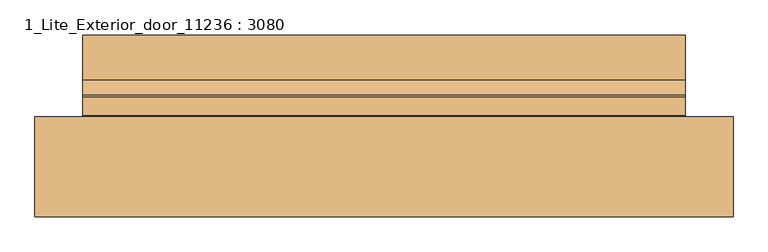
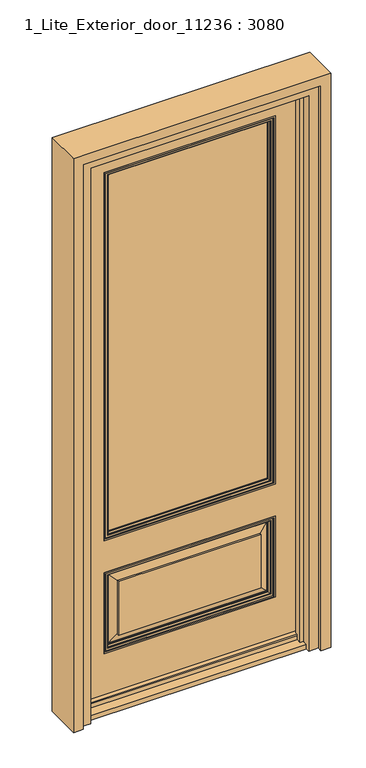
"""IFC4 building model written with IfcOpenShell, lengths in millimetres: door geometry, 1_Lite_Exterior_door_11236 : 3080."""

from ifc_helpers import new_model, si_unit, point, frame, frame_2d, origin, place, context, project, spatial, polyline, circle_curve, ellipse_curve, trimmed, segment, composite_curve, outline, extrude, faceted_brep, source, transform, mapped, element, save
from ifc_brep_helpers import plane_surface, cylinder_surface, advanced_brep


def door_1_lite_exterior_door_11236_3080_7c251f9d(model_context):
    return source(origin(), model_context, "Body", "SolidModel", [
        advanced_brep(
        [(355.6, 12.7, 723.9), (355.6, 76.2, 723.9), (355.6, 76.2, 2336.8), (355.6, 12.7, 2336.8), (349.25, 17.74112, 730.25), (349.25, 12.7, 730.25), (349.25, 12.7, 2330.45), (349.25, 17.74112, 2330.45), (346.9560106, 15.4471305, 732.5439894), (346.9560106, 15.4471305, 2328.1560106), (338.7694125, 18.2331323, 740.7305875), (338.7694125, 15.4471305, 740.7305875), (338.7694125, 15.4471305, 2319.9694125), (338.7694125, 18.2331323, 2319.9694125), (335.932591, 18.9956227, 743.567409), (337.7298548, 18.2331323, 741.7701452), (337.7298548, 18.2331323, 2318.9298548), (335.932591, 18.9956227, 2317.132591), (332.9205864, 25.9688031, 746.5794136), (332.9205864, 25.9688031, 2314.1205864), (331.1191455, 30.1625, 748.3808545), (331.1191455, 25.9688031, 748.3808545), (331.1191455, 25.9688031, 2312.3191455), (331.1191455, 30.1625, 2312.3191455), (349.25, 58.7375, 730.25), (349.25, 30.1625, 730.25), (349.25, 30.1625, 2330.45), (349.25, 58.7375, 2330.45), (331.3790349, 63.1711196, 748.1209651), (331.3790349, 58.7375, 748.1209651), (331.3790349, 58.7375, 2312.5790349), (331.3790349, 63.1711196, 2312.5790349), (332.2428928, 63.8640585, 747.2571072), (332.2428928, 63.8640585, 2313.4428928), (334.1792523, 68.8820693, 745.3207477), (333.1653174, 63.8640585, 746.3346826), (333.1653174, 63.8640585, 2314.3653174), (334.1792523, 68.8820693, 2315.3792523), (337.7518172, 72.169021, 741.7481828), (337.7518172, 72.169021, 2318.9518172), (338.7401292, 76.2, 740.7598708), (338.7401292, 72.169021, 740.7598708), (338.7401292, 72.169021, 2319.9401292), (338.7401292, 76.2, 2319.9401292), (-355.6, 76.2, 2336.8), (-355.6, 12.7, 2336.8), (-349.25, 12.7, 2330.45), (-349.25, 17.74112, 2330.45), (-346.9560106, 15.4471305, 2328.1560106), (-338.7694125, 15.4471305, 2319.9694125), (-338.7694125, 18.2331323, 2319.9694125), (-337.7298548, 18.2331323, 2318.9298548), (-335.932591, 18.9956227, 2317.132591), (-332.9205864, 25.9688031, 2314.1205864), (-331.1191455, 25.9688031, 2312.3191455), (-331.1191455, 30.1625, 2312.3191455), (-349.25, 30.1625, 2330.45), (-349.25, 58.7375, 2330.45), (-331.3790349, 58.7375, 2312.5790349), (-331.3790349, 63.1711196, 2312.5790349), (-332.2428928, 63.8640585, 2313.4428928), (-333.1653174, 63.8640585, 2314.3653174), (-334.1792523, 68.8820693, 2315.3792523), (-337.7518172, 72.169021, 2318.9518172), (-338.7401292, 72.169021, 2319.9401292), (-338.7401292, 76.2, 2319.9401292), (-355.6, 76.2, 723.9), (-355.6, 12.7, 723.9), (-349.25, 12.7, 730.25), (-349.25, 17.74112, 730.25), (-346.9560106, 15.4471305, 732.5439894), (-338.7694125, 15.4471305, 740.7305875), (-338.7694125, 18.2331323, 740.7305875), (-337.7298548, 18.2331323, 741.7701452), (-335.932591, 18.9956227, 743.567409), (-332.9205864, 25.9688031, 746.5794136), (-331.1191455, 25.9688031, 748.3808545), (-331.1191455, 30.1625, 748.3808545), (-349.25, 30.1625, 730.25), (-349.25, 58.7375, 730.25), (-331.3790349, 58.7375, 748.1209651), (-331.3790349, 63.1711196, 748.1209651), (-332.2428928, 63.8640585, 747.2571072), (-333.1653174, 63.8640585, 746.3346826), (-334.1792523, 68.8820693, 745.3207477), (-337.7518172, 72.169021, 741.7481828), (-338.7401292, 72.169021, 740.7598708), (-338.7401292, 76.2, 740.7598708)],
        [
            (0, 1),
            (1, 2),
            (2, 3),
            (3, 0),
            (4, 5),
            (5, 6),
            (6, 7),
            (7, 4),
            (8, 4),
            (7, 9),
            (9, 8),
            (10, 11),
            (11, 12),
            (12, 13),
            (13, 10),
            (14, 15, ellipse_curve(frame((337.7264752, 20.724574, 741.7735248), z_axis=(0.7071067811865475, 0.0, 0.7071067811865475), x_axis=(0.7071067811865474, 0.0, -0.7071067811865476)), 3.5234339, 2.491444)),
            (15, 16),
            (16, 17, ellipse_curve(frame((337.7264752, 20.724574, 2318.9264752), z_axis=(0.7071067811865475, 0.0, -0.7071067811865475), x_axis=(-0.7071067811865474, 0.0, -0.7071067811865476)), 3.5234339, 2.491444)),
            (17, 14),
            (18, 14, ellipse_curve(frame((343.4741522, 26.3902292, 736.0258478), z_axis=(0.7071067811865475, 0.0, 0.7071067811865475), x_axis=(0.7071067811865474, 0.0, -0.7071067811865476)), 14.9368906, 10.5619766)),
            (17, 19, ellipse_curve(frame((343.4741522, 26.3902292, 2324.6741522), z_axis=(0.7071067811865475, 0.0, -0.7071067811865475), x_axis=(-0.7071067811865474, 0.0, -0.7071067811865476)), 14.9368906, 10.5619766)),
            (19, 18),
            (20, 21),
            (21, 22),
            (22, 23),
            (23, 20),
            (24, 25),
            (25, 26),
            (26, 27),
            (27, 24),
            (28, 29),
            (29, 30),
            (30, 31),
            (31, 28),
            (32, 28, ellipse_curve(frame((332.2149829, 63.0139154, 747.2850171), z_axis=(0.7071067811865475, 0.0, 0.7071067811865475), x_axis=(0.7071067811865474, 0.0, -0.7071067811865476)), 1.2029316, 0.8506011)),
            (31, 33, ellipse_curve(frame((332.2149829, 63.0139154, 2313.4149829), z_axis=(0.7071067811865475, 0.0, -0.7071067811865475), x_axis=(-0.7071067811865474, 0.0, -0.7071067811865476)), 1.2029316, 0.8506011)),
            (33, 32),
            (34, 35, ellipse_curve(frame((345.7149258, 63.9397383, 733.7850742), z_axis=(0.7071067811865475, 0.0, 0.7071067811865475), x_axis=(0.7071067811865474, 0.0, -0.7071067811865476)), 17.7481492, 12.5498367)),
            (35, 36),
            (36, 37, ellipse_curve(frame((345.7149258, 63.9397383, 2326.9149258), z_axis=(0.7071067811865475, 0.0, -0.7071067811865475), x_axis=(-0.7071067811865474, 0.0, -0.7071067811865476)), 17.7481492, 12.5498367)),
            (37, 34),
            (38, 34, ellipse_curve(frame((339.7868204, 66.3722163, 739.7131796), z_axis=(0.7071067811865475, 0.0, 0.7071067811865475), x_axis=(0.7071067811865474, 0.0, -0.7071067811865476)), 8.6884041, 6.1436294)),
            (37, 39, ellipse_curve(frame((339.7868204, 66.3722163, 2320.9868204), z_axis=(0.7071067811865475, 0.0, -0.7071067811865475), x_axis=(-0.7071067811865474, 0.0, -0.7071067811865476)), 8.6884041, 6.1436294)),
            (39, 38),
            (40, 41),
            (41, 42),
            (42, 43),
            (43, 40),
            (2, 44),
            (44, 45),
            (45, 3),
            (6, 46),
            (46, 47),
            (47, 7),
            (47, 48),
            (48, 9),
            (12, 49),
            (49, 50),
            (50, 13),
            (16, 51),
            (51, 52, ellipse_curve(frame((-337.7264752, 20.724574, 2318.9264752), z_axis=(0.7071067811865475, 0.0, 0.7071067811865475), x_axis=(0.7071067811865476, 0.0, -0.7071067811865474)), 3.5234339, 2.491444)),
            (52, 17),
            (52, 53, ellipse_curve(frame((-343.4741522, 26.3902292, 2324.6741522), z_axis=(0.7071067811865475, 0.0, 0.7071067811865475), x_axis=(0.7071067811865476, 0.0, -0.7071067811865474)), 14.9368906, 10.5619766)),
            (53, 19),
            (22, 54),
            (54, 55),
            (55, 23),
            (26, 56),
            (56, 57),
            (57, 27),
            (30, 58),
            (58, 59),
            (59, 31),
            (59, 60, ellipse_curve(frame((-332.2149829, 63.0139154, 2313.4149829), z_axis=(0.7071067811865475, 0.0, 0.7071067811865475), x_axis=(0.7071067811865476, 0.0, -0.7071067811865474)), 1.2029316, 0.8506011)),
            (60, 33),
            (36, 61),
            (61, 62, ellipse_curve(frame((-345.7149258, 63.9397383, 2326.9149258), z_axis=(0.7071067811865475, 0.0, 0.7071067811865475), x_axis=(0.7071067811865476, 0.0, -0.7071067811865474)), 17.7481492, 12.5498367)),
            (62, 37),
            (62, 63, ellipse_curve(frame((-339.7868204, 66.3722163, 2320.9868204), z_axis=(0.7071067811865475, 0.0, 0.7071067811865475), x_axis=(0.7071067811865476, 0.0, -0.7071067811865474)), 8.6884041, 6.1436294)),
            (63, 39),
            (42, 64),
            (64, 65),
            (65, 43),
            (44, 66),
            (66, 67),
            (67, 45),
            (46, 68),
            (68, 69),
            (69, 47),
            (69, 70),
            (70, 48),
            (49, 71),
            (71, 72),
            (72, 50),
            (51, 73),
            (73, 74, ellipse_curve(frame((-337.7264752, 20.724574, 741.7735248), z_axis=(-0.7071067811865475, 0.0, 0.7071067811865475), x_axis=(0.7071067811865474, 0.0, 0.7071067811865476)), 3.5234339, 2.491444)),
            (74, 52),
            (74, 75, ellipse_curve(frame((-343.4741522, 26.3902292, 736.0258478), z_axis=(-0.7071067811865475, 0.0, 0.7071067811865475), x_axis=(0.7071067811865474, 0.0, 0.7071067811865476)), 14.9368906, 10.5619766)),
            (75, 53),
            (54, 76),
            (76, 77),
            (77, 55),
            (56, 78),
            (78, 79),
            (79, 57),
            (58, 80),
            (80, 81),
            (81, 59),
            (81, 82, ellipse_curve(frame((-332.2149829, 63.0139154, 747.2850171), z_axis=(-0.7071067811865475, 0.0, 0.7071067811865475), x_axis=(0.7071067811865474, 0.0, 0.7071067811865476)), 1.2029316, 0.8506011)),
            (82, 60),
            (61, 83),
            (83, 84, ellipse_curve(frame((-345.7149258, 63.9397383, 733.7850742), z_axis=(-0.7071067811865475, 0.0, 0.7071067811865475), x_axis=(0.7071067811865474, 0.0, 0.7071067811865476)), 17.7481492, 12.5498367)),
            (84, 62),
            (84, 85, ellipse_curve(frame((-339.7868204, 66.3722163, 739.7131796), z_axis=(-0.7071067811865475, 0.0, 0.7071067811865475), x_axis=(0.7071067811865474, 0.0, 0.7071067811865476)), 8.6884041, 6.1436294)),
            (85, 63),
            (64, 86),
            (86, 87),
            (87, 65),
            (1, 66),
            (87, 40),
            (0, 67),
            (5, 68),
            (4, 69),
            (8, 70),
            (11, 71),
            (10, 72),
            (15, 73),
            (14, 74),
            (18, 75),
            (21, 76),
            (20, 77),
            (25, 78),
            (24, 79),
            (29, 80),
            (28, 81),
            (32, 82),
            (35, 83),
            (34, 84),
            (38, 85),
            (41, 86),
        ],
        [
            plane_surface(frame((355.6, 76.2, 723.9), z_axis=(1.0, 0.0, 0.0), x_axis=(0.0, 0.0, 1.0))),
            plane_surface(frame((349.25, 12.7, 730.25), z_axis=(-1.0, 0.0, 0.0), x_axis=(0.0, 0.0, 1.0))),
            plane_surface(frame((349.25, 17.74112, 730.25), z_axis=(0.7071067811918881, -0.707106781181207, 0.0), x_axis=(0.0, 0.0, 1.0))),
            plane_surface(frame((338.7694125, 15.4471305, 740.7305875), z_axis=(-1.0, 0.0, 0.0), x_axis=(0.0, 0.0, 1.0))),
            cylinder_surface(frame((337.7264752, 20.724574, 723.9), z_axis=(0.0, 0.0, -1.0), x_axis=(0.0, -1.0, 0.0)), 2.491444),
            cylinder_surface(frame((343.4741522, 26.3902292, 723.9), z_axis=(0.0, 0.0, -1.0), x_axis=(0.0, -1.0, 0.0)), 10.5619766),
            plane_surface(frame((331.1191455, 25.9688031, 748.3808545), z_axis=(-1.0, 0.0, 0.0), x_axis=(0.0, 0.0, 1.0))),
            plane_surface(frame((349.25, 30.1625, 730.25), z_axis=(-1.0, 0.0, 0.0), x_axis=(0.0, 0.0, 1.0))),
            plane_surface(frame((331.3790349, 58.7375, 748.1209651), z_axis=(-1.0, 0.0, 0.0), x_axis=(0.0, 0.0, 1.0))),
            cylinder_surface(frame((332.2149829, 63.0139154, 723.9), z_axis=(0.0, 0.0, -1.0), x_axis=(0.0, -1.0, 0.0)), 0.8506011),
            cylinder_surface(frame((345.7149258, 63.9397383, 723.9), z_axis=(0.0, 0.0, -1.0), x_axis=(0.0, -1.0, 0.0)), 12.5498367),
            cylinder_surface(frame((339.7868204, 66.3722163, 723.9), z_axis=(0.0, 0.0, -1.0), x_axis=(0.0, -1.0, 0.0)), 6.1436294),
            plane_surface(frame((338.7401292, 72.169021, 740.7598708), z_axis=(-1.0, 0.0, 0.0), x_axis=(0.0, 0.0, 1.0))),
            plane_surface(frame((355.6, 76.2, 2336.8), z_axis=(0.0, 0.0, 1.0), x_axis=(-1.0, 0.0, 0.0))),
            plane_surface(frame((349.25, 12.7, 2330.45), z_axis=(0.0, 0.0, -1.0), x_axis=(-1.0, 0.0, 0.0))),
            plane_surface(frame((349.25, 17.74112, 2330.45), z_axis=(0.0, -0.707106781181207, 0.7071067811918881), x_axis=(-1.0, 0.0, 0.0))),
            plane_surface(frame((338.7694125, 15.4471305, 2319.9694125), z_axis=(0.0, 0.0, -1.0), x_axis=(-1.0, 0.0, 0.0))),
            cylinder_surface(frame((355.6, 20.724574, 2318.9264752), z_axis=(1.0, 0.0, 0.0), x_axis=(0.0, -1.0, 0.0)), 2.491444),
            cylinder_surface(frame((355.6, 26.3902292, 2324.6741522), z_axis=(1.0, 0.0, 0.0), x_axis=(0.0, -1.0, 0.0)), 10.5619766),
            plane_surface(frame((331.1191455, 25.9688031, 2312.3191455), z_axis=(0.0, 0.0, -1.0), x_axis=(-1.0, 0.0, 0.0))),
            plane_surface(frame((349.25, 30.1625, 2330.45), z_axis=(0.0, 0.0, -1.0), x_axis=(-1.0, 0.0, 0.0))),
            plane_surface(frame((331.3790349, 58.7375, 2312.5790349), z_axis=(0.0, 0.0, -1.0), x_axis=(-1.0, 0.0, 0.0))),
            cylinder_surface(frame((355.6, 63.0139154, 2313.4149829), z_axis=(1.0, 0.0, 0.0), x_axis=(0.0, -1.0, 0.0)), 0.8506011),
            cylinder_surface(frame((355.6, 63.9397383, 2326.9149258), z_axis=(1.0, 0.0, 0.0), x_axis=(0.0, -1.0, 0.0)), 12.5498367),
            cylinder_surface(frame((355.6, 66.3722163, 2320.9868204), z_axis=(1.0, 0.0, 0.0), x_axis=(0.0, -1.0, 0.0)), 6.1436294),
            plane_surface(frame((338.7401292, 72.169021, 2319.9401292), z_axis=(0.0, 0.0, -1.0), x_axis=(-1.0, 0.0, 0.0))),
            plane_surface(frame((-355.6, 76.2, 2336.8), z_axis=(-1.0, 0.0, 0.0), x_axis=(0.0, 0.0, -1.0))),
            plane_surface(frame((-349.25, 12.7, 2330.45), z_axis=(1.0, 0.0, 0.0), x_axis=(0.0, 0.0, -1.0))),
            plane_surface(frame((-349.25, 17.74112, 2330.45), z_axis=(-0.7071067811918881, -0.707106781181207, 0.0), x_axis=(0.0, 0.0, -1.0))),
            plane_surface(frame((-338.7694125, 15.4471305, 2319.9694125), z_axis=(1.0, 0.0, 0.0), x_axis=(0.0, 0.0, -1.0))),
            cylinder_surface(frame((-337.7264752, 20.724574, 2336.8), z_axis=(0.0, 0.0, 1.0), x_axis=(0.0, -1.0, 0.0)), 2.491444),
            cylinder_surface(frame((-343.4741522, 26.3902292, 2336.8), z_axis=(0.0, 0.0, 1.0), x_axis=(0.0, -1.0, 0.0)), 10.5619766),
            plane_surface(frame((-331.1191455, 25.9688031, 2312.3191455), z_axis=(1.0, 0.0, 0.0), x_axis=(0.0, 0.0, -1.0))),
            plane_surface(frame((-349.25, 30.1625, 2330.45), z_axis=(1.0, 0.0, 0.0), x_axis=(0.0, 0.0, -1.0))),
            plane_surface(frame((-331.3790349, 58.7375, 2312.5790349), z_axis=(1.0, 0.0, 0.0), x_axis=(0.0, 0.0, -1.0))),
            cylinder_surface(frame((-332.2149829, 63.0139154, 2336.8), z_axis=(0.0, 0.0, 1.0), x_axis=(0.0, -1.0, 0.0)), 0.8506011),
            cylinder_surface(frame((-345.7149258, 63.9397383, 2336.8), z_axis=(0.0, 0.0, 1.0), x_axis=(0.0, -1.0, 0.0)), 12.5498367),
            cylinder_surface(frame((-339.7868204, 66.3722163, 2336.8), z_axis=(0.0, 0.0, 1.0), x_axis=(0.0, -1.0, 0.0)), 6.1436294),
            plane_surface(frame((-338.7401292, 72.169021, 2319.9401292), z_axis=(1.0, 0.0, 0.0), x_axis=(0.0, 0.0, -1.0))),
            plane_surface(frame((-338.7401292, 76.2, 740.7598708), z_axis=(0.0, 1.0, 0.0), x_axis=(1.0, 0.0, 0.0))),
            plane_surface(frame((-355.6, 76.2, 723.9), z_axis=(0.0, 0.0, -1.0), x_axis=(1.0, 0.0, 0.0))),
            plane_surface(frame((-355.6, 12.7, 723.9), z_axis=(0.0, -1.0, 0.0), x_axis=(1.0, 0.0, 0.0))),
            plane_surface(frame((-349.25, 12.7, 730.25), z_axis=(0.0, 0.0, 1.0), x_axis=(1.0, 0.0, 0.0))),
            plane_surface(frame((-349.25, 17.74112, 730.25), z_axis=(0.0, -0.707106781181207, -0.7071067811918881), x_axis=(1.0, 0.0, 0.0))),
            plane_surface(frame((-346.9560106, 15.4471305, 732.5439894), z_axis=(0.0, -1.0, 0.0), x_axis=(1.0, 0.0, 0.0))),
            plane_surface(frame((-338.7694125, 15.4471305, 740.7305875), z_axis=(0.0, 0.0, 1.0), x_axis=(1.0, 0.0, 0.0))),
            plane_surface(frame((-338.7694125, 18.2331323, 740.7305875), z_axis=(0.0, -1.0, 0.0), x_axis=(1.0, 0.0, 0.0))),
            cylinder_surface(frame((-355.6, 20.724574, 741.7735248), z_axis=(-1.0, 0.0, 0.0), x_axis=(0.0, -1.0, 0.0)), 2.491444),
            cylinder_surface(frame((-355.6, 26.3902292, 736.0258478), z_axis=(-1.0, 0.0, 0.0), x_axis=(0.0, -1.0, 0.0)), 10.5619766),
            plane_surface(frame((-332.9205864, 25.9688031, 746.5794136), z_axis=(0.0, -1.0, 0.0), x_axis=(1.0, 0.0, 0.0))),
            plane_surface(frame((-331.1191455, 25.9688031, 748.3808545), z_axis=(0.0, 0.0, 1.0), x_axis=(1.0, 0.0, 0.0))),
            plane_surface(frame((-331.1191455, 30.1625, 748.3808545), z_axis=(0.0, 1.0, 0.0), x_axis=(1.0, 0.0, 0.0))),
            plane_surface(frame((-349.25, 30.1625, 730.25), z_axis=(0.0, 0.0, 1.0), x_axis=(1.0, 0.0, 0.0))),
            plane_surface(frame((-349.25, 58.7375, 730.25), z_axis=(0.0, -1.0, 0.0), x_axis=(1.0, 0.0, 0.0))),
            plane_surface(frame((-331.3790349, 58.7375, 748.1209651), z_axis=(0.0, 0.0, 1.0), x_axis=(1.0, 0.0, 0.0))),
            cylinder_surface(frame((-355.6, 63.0139154, 747.2850171), z_axis=(-1.0, 0.0, 0.0), x_axis=(0.0, -1.0, 0.0)), 0.8506011),
            plane_surface(frame((-332.2428928, 63.8640585, 747.2571072), z_axis=(0.0, 1.0, 0.0), x_axis=(1.0, 0.0, 0.0))),
            cylinder_surface(frame((-355.6, 63.9397383, 733.7850742), z_axis=(-1.0, 0.0, 0.0), x_axis=(0.0, -1.0, 0.0)), 12.5498367),
            cylinder_surface(frame((-355.6, 66.3722163, 739.7131796), z_axis=(-1.0, 0.0, 0.0), x_axis=(0.0, -1.0, 0.0)), 6.1436294),
            plane_surface(frame((-337.7518172, 72.169021, 741.7481828), z_axis=(0.0, 1.0, 0.0), x_axis=(1.0, 0.0, 0.0))),
            plane_surface(frame((-338.7401292, 72.169021, 740.7598708), z_axis=(0.0, 0.0, 1.0), x_axis=(1.0, 0.0, 0.0))),
        ],
        [
            (0, [[1, 2, 3, 4]]),
            (1, [[5, 6, 7, 8]]),
            (2, [[9, -8, 10, 11]]),
            (3, [[12, 13, 14, 15]]),
            (4, [[16, 17, 18, 19]]),
            (5, [[20, -19, 21, 22]]),
            (6, [[23, 24, 25, 26]]),
            (7, [[27, 28, 29, 30]]),
            (8, [[31, 32, 33, 34]]),
            (9, [[35, -34, 36, 37]]),
            (10, [[38, 39, 40, 41]]),
            (11, [[42, -41, 43, 44]]),
            (12, [[45, 46, 47, 48]]),
            (13, [[-3, 49, 50, 51]]),
            (14, [[-7, 52, 53, 54]]),
            (15, [[-10, -54, 55, 56]]),
            (16, [[-14, 57, 58, 59]]),
            (17, [[-18, 60, 61, 62]]),
            (18, [[-21, -62, 63, 64]]),
            (19, [[-25, 65, 66, 67]]),
            (20, [[-29, 68, 69, 70]]),
            (21, [[-33, 71, 72, 73]]),
            (22, [[-36, -73, 74, 75]]),
            (23, [[-40, 76, 77, 78]]),
            (24, [[-43, -78, 79, 80]]),
            (25, [[-47, 81, 82, 83]]),
            (26, [[-50, 84, 85, 86]]),
            (27, [[-53, 87, 88, 89]]),
            (28, [[-55, -89, 90, 91]]),
            (29, [[-58, 92, 93, 94]]),
            (30, [[-61, 95, 96, 97]]),
            (31, [[-63, -97, 98, 99]]),
            (32, [[-66, 100, 101, 102]]),
            (33, [[-69, 103, 104, 105]]),
            (34, [[-72, 106, 107, 108]]),
            (35, [[-74, -108, 109, 110]]),
            (36, [[-77, 111, 112, 113]]),
            (37, [[-79, -113, 114, 115]]),
            (38, [[-82, 116, 117, 118]]),
            (39, [[119, -84, -49, -2], [-83, -118, 120, -48]]),
            (40, [[-85, -119, -1, 121]]),
            (41, [[-51, -86, -121, -4], [122, -87, -52, -6]]),
            (42, [[-88, -122, -5, 123]]),
            (43, [[-90, -123, -9, 124]]),
            (44, [[-56, -91, -124, -11], [125, -92, -57, -13]]),
            (45, [[-93, -125, -12, 126]]),
            (46, [[-59, -94, -126, -15], [127, -95, -60, -17]]),
            (47, [[-96, -127, -16, 128]]),
            (48, [[-98, -128, -20, 129]]),
            (49, [[-64, -99, -129, -22], [130, -100, -65, -24]]),
            (50, [[-101, -130, -23, 131]]),
            (51, [[132, -103, -68, -28], [-67, -102, -131, -26]]),
            (52, [[-104, -132, -27, 133]]),
            (53, [[-70, -105, -133, -30], [134, -106, -71, -32]]),
            (54, [[-107, -134, -31, 135]]),
            (55, [[-109, -135, -35, 136]]),
            (56, [[137, -111, -76, -39], [-75, -110, -136, -37]]),
            (57, [[-112, -137, -38, 138]]),
            (58, [[-114, -138, -42, 139]]),
            (59, [[140, -116, -81, -46], [-80, -115, -139, -44]]),
            (60, [[-117, -140, -45, -120]]),
        ],
    ),
        advanced_brep(
        [(-295.275, 21.7305567, 288.925), (-295.275, 68.5309484, 288.925), (-295.275, 68.5309484, 523.875), (-295.275, 21.7305567, 523.875), (-328.2530406, 30.8447038, 255.9469594), (-328.2530406, 30.8447038, 556.8530406), (-331.1191455, 26.6510069, 253.0808545), (-331.1191455, 30.8447038, 253.0808545), (-331.1191455, 30.8447038, 559.7191455), (-331.1191455, 26.6510069, 559.7191455), (-335.932591, 19.6778265, 248.267409), (-332.9205864, 26.6510069, 251.2794136), (-332.9205864, 26.6510069, 561.5205864), (-335.932591, 19.6778265, 564.532591), (-337.7298547, 18.9153362, 246.4701453), (-337.7298547, 18.9153362, 566.3298547), (-338.7694125, 16.1293344, 245.4305875), (-338.7694125, 18.9153362, 245.4305875), (-338.7694125, 18.9153362, 567.3694125), (-338.7694125, 16.1293344, 567.3694125), (-349.25, 18.4233238, 234.95), (-346.9560106, 16.1293344, 237.2439894), (-346.9560106, 16.1293344, 575.5560106), (-349.25, 18.4233238, 577.85), (-349.25, 12.7, 234.95), (-349.25, 12.7, 577.85), (-355.6, 76.2, 228.6), (-355.6, 12.7, 228.6), (-355.6, 12.7, 584.2), (-355.6, 76.2, 584.2), (-338.7401292, 72.8512248, 245.4598708), (-338.7401292, 76.2, 245.4598708), (-338.7401292, 76.2, 567.3401292), (-338.7401292, 72.8512248, 567.3401292), (-334.1792523, 69.5642731, 250.0207477), (-337.7518172, 72.8512248, 246.4481828), (-337.7518172, 72.8512248, 566.3518172), (-334.1792523, 69.5642731, 562.7792523), (-333.1653174, 64.5462623, 251.0346826), (-333.1653174, 64.5462623, 561.7653174), (-331.3790349, 63.8533234, 252.8209651), (-332.2428928, 64.5462623, 251.9571072), (-332.2428928, 64.5462623, 560.8428928), (-331.3790349, 63.8533234, 559.9790349), (-331.3790349, 59.4197038, 252.8209651), (-331.3790349, 59.4197038, 559.9790349), (-328.7179133, 59.4197038, 255.4820867), (-328.7179133, 59.4197038, 557.3179133), (295.275, 68.5309484, 523.875), (295.275, 21.7305567, 523.875), (328.2530406, 30.8447038, 556.8530406), (331.1191455, 30.8447038, 559.7191455), (331.1191455, 26.6510069, 559.7191455), (332.9205864, 26.6510069, 561.5205864), (335.932591, 19.6778265, 564.532591), (337.7298547, 18.9153362, 566.3298547), (338.7694125, 18.9153362, 567.3694125), (338.7694125, 16.1293344, 567.3694125), (346.9560106, 16.1293344, 575.5560106), (349.25, 18.4233238, 577.85), (349.25, 12.7, 577.85), (355.6, 12.7, 584.2), (355.6, 76.2, 584.2), (338.7401292, 76.2, 567.3401292), (338.7401292, 72.8512248, 567.3401292), (337.7518172, 72.8512248, 566.3518172), (334.1792523, 69.5642731, 562.7792523), (333.1653174, 64.5462623, 561.7653174), (332.2428928, 64.5462623, 560.8428928), (331.3790349, 63.8533234, 559.9790349), (331.3790349, 59.4197038, 559.9790349), (328.7179133, 59.4197038, 557.3179133), (295.275, 68.5309484, 288.925), (295.275, 21.7305567, 288.925), (328.2530406, 30.8447038, 255.9469594), (331.1191455, 30.8447038, 253.0808545), (331.1191455, 26.6510069, 253.0808545), (332.9205864, 26.6510069, 251.2794136), (335.932591, 19.6778265, 248.267409), (337.7298547, 18.9153362, 246.4701453), (338.7694125, 18.9153362, 245.4305875), (338.7694125, 16.1293344, 245.4305875), (346.9560106, 16.1293344, 237.2439894), (349.25, 18.4233238, 234.95), (349.25, 12.7, 234.95), (355.6, 12.7, 228.6), (355.6, 76.2, 228.6), (338.7401292, 76.2, 245.4598708), (338.7401292, 72.8512248, 245.4598708), (337.7518172, 72.8512248, 246.4481828), (334.1792523, 69.5642731, 250.0207477), (333.1653174, 64.5462623, 251.0346826), (332.2428928, 64.5462623, 251.9571072), (331.3790349, 63.8533234, 252.8209651), (331.3790349, 59.4197038, 252.8209651), (328.7179133, 59.4197038, 255.4820867)],
        [
            (0, 1),
            (1, 2),
            (2, 3),
            (3, 0),
            (4, 0),
            (3, 5),
            (5, 4),
            (6, 7),
            (7, 8),
            (8, 9),
            (9, 6),
            (10, 11, ellipse_curve(frame((-343.4741522, 27.072433, 240.7258478), z_axis=(-0.7071067811865475, 0.0, 0.7071067811865475), x_axis=(-0.7071067811865474, 0.0, -0.7071067811865476)), 14.9368906, 10.5619766)),
            (11, 12),
            (12, 13, ellipse_curve(frame((-343.4741522, 27.072433, 572.0741522), z_axis=(-0.7071067811865475, 0.0, -0.7071067811865475), x_axis=(0.7071067811865474, 0.0, -0.7071067811865476)), 14.9368906, 10.5619766)),
            (13, 10),
            (14, 10, ellipse_curve(frame((-337.7264752, 21.4067779, 246.4735248), z_axis=(-0.7071067811865475, 0.0, 0.7071067811865475), x_axis=(-0.7071067811865474, 0.0, -0.7071067811865476)), 3.5234339, 2.491444)),
            (13, 15, ellipse_curve(frame((-337.7264752, 21.4067779, 566.3264752), z_axis=(-0.7071067811865475, 0.0, -0.7071067811865475), x_axis=(0.7071067811865474, 0.0, -0.7071067811865476)), 3.5234339, 2.491444)),
            (15, 14),
            (16, 17),
            (17, 18),
            (18, 19),
            (19, 16),
            (20, 21),
            (21, 22),
            (22, 23),
            (23, 20),
            (24, 20),
            (23, 25),
            (25, 24),
            (26, 27),
            (27, 28),
            (28, 29),
            (29, 26),
            (30, 31),
            (31, 32),
            (32, 33),
            (33, 30),
            (34, 35, ellipse_curve(frame((-339.7868204, 67.0544201, 244.4131796), z_axis=(-0.7071067811865475, 0.0, 0.7071067811865475), x_axis=(-0.7071067811865474, 0.0, -0.7071067811865476)), 8.6884041, 6.1436294)),
            (35, 36),
            (36, 37, ellipse_curve(frame((-339.7868204, 67.0544201, 568.3868204), z_axis=(-0.7071067811865475, 0.0, -0.7071067811865475), x_axis=(0.7071067811865474, 0.0, -0.7071067811865476)), 8.6884041, 6.1436294)),
            (37, 34),
            (38, 34, ellipse_curve(frame((-345.7149258, 64.6219421, 238.4850742), z_axis=(-0.7071067811865475, 0.0, 0.7071067811865475), x_axis=(-0.7071067811865474, 0.0, -0.7071067811865476)), 17.7481492, 12.5498367)),
            (37, 39, ellipse_curve(frame((-345.7149258, 64.6219421, 574.3149258), z_axis=(-0.7071067811865475, 0.0, -0.7071067811865475), x_axis=(0.7071067811865474, 0.0, -0.7071067811865476)), 17.7481492, 12.5498367)),
            (39, 38),
            (40, 41, ellipse_curve(frame((-332.2149829, 63.6961192, 251.9850171), z_axis=(-0.7071067811865475, 0.0, 0.7071067811865475), x_axis=(-0.7071067811865474, 0.0, -0.7071067811865476)), 1.2029316, 0.8506011)),
            (41, 42),
            (42, 43, ellipse_curve(frame((-332.2149829, 63.6961192, 560.8149829), z_axis=(-0.7071067811865475, 0.0, -0.7071067811865475), x_axis=(0.7071067811865474, 0.0, -0.7071067811865476)), 1.2029316, 0.8506011)),
            (43, 40),
            (44, 40),
            (43, 45),
            (45, 44),
            (1, 46),
            (46, 47),
            (47, 2),
            (2, 48),
            (48, 49),
            (49, 3),
            (49, 50),
            (50, 5),
            (8, 51),
            (51, 52),
            (52, 9),
            (12, 53),
            (53, 54, ellipse_curve(frame((343.4741522, 27.072433, 572.0741522), z_axis=(-0.7071067811865475, 0.0, 0.7071067811865475), x_axis=(-0.7071067811865476, 0.0, -0.7071067811865474)), 14.9368906, 10.5619766)),
            (54, 13),
            (54, 55, ellipse_curve(frame((337.7264752, 21.4067779, 566.3264752), z_axis=(-0.7071067811865475, 0.0, 0.7071067811865475), x_axis=(-0.7071067811865476, 0.0, -0.7071067811865474)), 3.5234339, 2.491444)),
            (55, 15),
            (18, 56),
            (56, 57),
            (57, 19),
            (22, 58),
            (58, 59),
            (59, 23),
            (59, 60),
            (60, 25),
            (28, 61),
            (61, 62),
            (62, 29),
            (32, 63),
            (63, 64),
            (64, 33),
            (36, 65),
            (65, 66, ellipse_curve(frame((339.7868204, 67.0544201, 568.3868204), z_axis=(-0.7071067811865475, 0.0, 0.7071067811865475), x_axis=(-0.7071067811865476, 0.0, -0.7071067811865474)), 8.6884041, 6.1436294)),
            (66, 37),
            (66, 67, ellipse_curve(frame((345.7149258, 64.6219421, 574.3149258), z_axis=(-0.7071067811865475, 0.0, 0.7071067811865475), x_axis=(-0.7071067811865476, 0.0, -0.7071067811865474)), 17.7481492, 12.5498367)),
            (67, 39),
            (42, 68),
            (68, 69, ellipse_curve(frame((332.2149829, 63.6961192, 560.8149829), z_axis=(-0.7071067811865475, 0.0, 0.7071067811865475), x_axis=(-0.7071067811865476, 0.0, -0.7071067811865474)), 1.2029316, 0.8506011)),
            (69, 43),
            (69, 70),
            (70, 45),
            (47, 71),
            (71, 48),
            (48, 72),
            (72, 73),
            (73, 49),
            (73, 74),
            (74, 50),
            (51, 75),
            (75, 76),
            (76, 52),
            (53, 77),
            (77, 78, ellipse_curve(frame((343.4741522, 27.072433, 240.7258478), z_axis=(0.7071067811865475, 0.0, 0.7071067811865475), x_axis=(-0.7071067811865474, 0.0, 0.7071067811865476)), 14.9368906, 10.5619766)),
            (78, 54),
            (78, 79, ellipse_curve(frame((337.7264752, 21.4067779, 246.4735248), z_axis=(0.7071067811865475, 0.0, 0.7071067811865475), x_axis=(-0.7071067811865474, 0.0, 0.7071067811865476)), 3.5234339, 2.491444)),
            (79, 55),
            (56, 80),
            (80, 81),
            (81, 57),
            (58, 82),
            (82, 83),
            (83, 59),
            (83, 84),
            (84, 60),
            (61, 85),
            (85, 86),
            (86, 62),
            (63, 87),
            (87, 88),
            (88, 64),
            (65, 89),
            (89, 90, ellipse_curve(frame((339.7868204, 67.0544201, 244.4131796), z_axis=(0.7071067811865475, 0.0, 0.7071067811865475), x_axis=(-0.7071067811865474, 0.0, 0.7071067811865476)), 8.6884041, 6.1436294)),
            (90, 66),
            (90, 91, ellipse_curve(frame((345.7149258, 64.6219421, 238.4850742), z_axis=(0.7071067811865475, 0.0, 0.7071067811865475), x_axis=(-0.7071067811865474, 0.0, 0.7071067811865476)), 17.7481492, 12.5498367)),
            (91, 67),
            (68, 92),
            (92, 93, ellipse_curve(frame((332.2149829, 63.6961192, 251.9850171), z_axis=(0.7071067811865475, 0.0, 0.7071067811865475), x_axis=(-0.7071067811865474, 0.0, 0.7071067811865476)), 1.2029316, 0.8506011)),
            (93, 69),
            (93, 94),
            (94, 70),
            (71, 95),
            (95, 72),
            (72, 1),
            (0, 73),
            (4, 74),
            (7, 75),
            (6, 76),
            (11, 77),
            (10, 78),
            (14, 79),
            (17, 80),
            (16, 81),
            (21, 82),
            (20, 83),
            (24, 84),
            (27, 85),
            (26, 86),
            (31, 87),
            (30, 88),
            (35, 89),
            (34, 90),
            (38, 91),
            (41, 92),
            (40, 93),
            (44, 94),
            (46, 95),
        ],
        [
            plane_surface(frame((-295.275, 68.5309484, 288.925), z_axis=(1.0, 0.0, 0.0), x_axis=(0.0, 0.0, 1.0))),
            plane_surface(frame((-295.275, 21.7305567, 288.925), z_axis=(-0.2663840874779523, -0.9638669607049194, 0.0), x_axis=(0.0, 0.0, 1.0))),
            plane_surface(frame((-331.1191455, 30.8447038, 253.0808545), z_axis=(1.0, 0.0, 0.0), x_axis=(0.0, 0.0, 1.0))),
            cylinder_surface(frame((-343.4741522, 27.072433, 228.6), z_axis=(0.0, 0.0, -1.0), x_axis=(-1.0, 0.0, 0.0)), 10.5619766),
            cylinder_surface(frame((-337.7264752, 21.4067779, 228.6), z_axis=(0.0, 0.0, -1.0), x_axis=(-1.0, 0.0, 0.0)), 2.491444),
            plane_surface(frame((-338.7694125, 18.9153362, 245.4305875), z_axis=(1.0, 0.0, 0.0), x_axis=(0.0, 0.0, 1.0))),
            plane_surface(frame((-346.9560106, 16.1293344, 237.2439894), z_axis=(-0.7071067811705258, -0.7071067812025693, 0.0), x_axis=(0.0, 0.0, 1.0))),
            plane_surface(frame((-349.25, 18.4233238, 234.95), z_axis=(1.0, 0.0, 0.0), x_axis=(0.0, 0.0, 1.0))),
            plane_surface(frame((-355.6, 12.7, 228.6), z_axis=(-1.0, 0.0, 0.0), x_axis=(0.0, 0.0, 1.0))),
            plane_surface(frame((-338.7401292, 76.2, 245.4598708), z_axis=(1.0, 0.0, 0.0), x_axis=(0.0, 0.0, 1.0))),
            cylinder_surface(frame((-339.7868204, 67.0544201, 228.6), z_axis=(0.0, 0.0, -1.0), x_axis=(-1.0, 0.0, 0.0)), 6.1436294),
            cylinder_surface(frame((-345.7149258, 64.6219421, 228.6), z_axis=(0.0, 0.0, -1.0), x_axis=(-1.0, 0.0, 0.0)), 12.5498367),
            cylinder_surface(frame((-332.2149829, 63.6961192, 228.6), z_axis=(0.0, 0.0, -1.0), x_axis=(-1.0, 0.0, 0.0)), 0.8506011),
            plane_surface(frame((-331.3790349, 63.8533234, 252.8209651), z_axis=(1.0, 0.0, 0.0), x_axis=(0.0, 0.0, 1.0))),
            plane_surface(frame((-328.7179133, 59.4197038, 255.4820867), z_axis=(-0.2628609516400477, 0.9648337266611738, 0.0), x_axis=(0.0, 0.0, 1.0))),
            plane_surface(frame((-295.275, 68.5309484, 523.875), z_axis=(0.0, 0.0, -1.0), x_axis=(1.0, 0.0, 0.0))),
            plane_surface(frame((-295.275, 21.7305567, 523.875), z_axis=(0.0, -0.9638669607049194, 0.2663840874779523), x_axis=(1.0, 0.0, 0.0))),
            plane_surface(frame((-331.1191455, 30.8447038, 559.7191455), z_axis=(0.0, 0.0, -1.0), x_axis=(1.0, 0.0, 0.0))),
            cylinder_surface(frame((-355.6, 27.072433, 572.0741522), z_axis=(-1.0, 0.0, 0.0), x_axis=(0.0, 0.0, 1.0)), 10.5619766),
            cylinder_surface(frame((-355.6, 21.4067779, 566.3264752), z_axis=(-1.0, 0.0, 0.0), x_axis=(0.0, 0.0, 1.0)), 2.491444),
            plane_surface(frame((-338.7694125, 18.9153362, 567.3694125), z_axis=(0.0, 0.0, -1.0), x_axis=(1.0, 0.0, 0.0))),
            plane_surface(frame((-346.9560106, 16.1293344, 575.5560106), z_axis=(0.0, -0.7071067812025693, 0.7071067811705258), x_axis=(1.0, 0.0, 0.0))),
            plane_surface(frame((-349.25, 18.4233238, 577.85), z_axis=(0.0, 0.0, -1.0), x_axis=(1.0, 0.0, 0.0))),
            plane_surface(frame((-355.6, 12.7, 584.2), z_axis=(0.0, 0.0, 1.0), x_axis=(1.0, 0.0, 0.0))),
            plane_surface(frame((-338.7401292, 76.2, 567.3401292), z_axis=(0.0, 0.0, -1.0), x_axis=(1.0, 0.0, 0.0))),
            cylinder_surface(frame((-355.6, 67.0544201, 568.3868204), z_axis=(-1.0, 0.0, 0.0), x_axis=(0.0, 0.0, 1.0)), 6.1436294),
            cylinder_surface(frame((-355.6, 64.6219421, 574.3149258), z_axis=(-1.0, 0.0, 0.0), x_axis=(0.0, 0.0, 1.0)), 12.5498367),
            cylinder_surface(frame((-355.6, 63.6961192, 560.8149829), z_axis=(-1.0, 0.0, 0.0), x_axis=(0.0, 0.0, 1.0)), 0.8506011),
            plane_surface(frame((-331.3790349, 63.8533234, 559.9790349), z_axis=(0.0, 0.0, -1.0), x_axis=(1.0, 0.0, 0.0))),
            plane_surface(frame((-328.7179133, 59.4197038, 557.3179133), z_axis=(0.0, 0.9648337266611738, 0.2628609516400477), x_axis=(1.0, 0.0, 0.0))),
            plane_surface(frame((295.275, 68.5309484, 523.875), z_axis=(-1.0, 0.0, 0.0), x_axis=(0.0, 0.0, -1.0))),
            plane_surface(frame((295.275, 21.7305567, 523.875), z_axis=(0.2663840874779523, -0.9638669607049194, 0.0), x_axis=(0.0, 0.0, -1.0))),
            plane_surface(frame((331.1191455, 30.8447038, 559.7191455), z_axis=(-1.0, 0.0, 0.0), x_axis=(0.0, 0.0, -1.0))),
            cylinder_surface(frame((343.4741522, 27.072433, 584.2), z_axis=(0.0, 0.0, 1.0), x_axis=(1.0, 0.0, 0.0)), 10.5619766),
            cylinder_surface(frame((337.7264752, 21.4067779, 584.2), z_axis=(0.0, 0.0, 1.0), x_axis=(1.0, 0.0, 0.0)), 2.491444),
            plane_surface(frame((338.7694125, 18.9153362, 567.3694125), z_axis=(-1.0, 0.0, 0.0), x_axis=(0.0, 0.0, -1.0))),
            plane_surface(frame((346.9560106, 16.1293344, 575.5560106), z_axis=(0.7071067811705258, -0.7071067812025693, 0.0), x_axis=(0.0, 0.0, -1.0))),
            plane_surface(frame((349.25, 18.4233238, 577.85), z_axis=(-1.0, 0.0, 0.0), x_axis=(0.0, 0.0, -1.0))),
            plane_surface(frame((355.6, 12.7, 584.2), z_axis=(1.0, 0.0, 0.0), x_axis=(0.0, 0.0, -1.0))),
            plane_surface(frame((338.7401292, 76.2, 567.3401292), z_axis=(-1.0, 0.0, 0.0), x_axis=(0.0, 0.0, -1.0))),
            cylinder_surface(frame((339.7868204, 67.0544201, 584.2), z_axis=(0.0, 0.0, 1.0), x_axis=(1.0, 0.0, 0.0)), 6.1436294),
            cylinder_surface(frame((345.7149258, 64.6219421, 584.2), z_axis=(0.0, 0.0, 1.0), x_axis=(1.0, 0.0, 0.0)), 12.5498367),
            cylinder_surface(frame((332.2149829, 63.6961192, 584.2), z_axis=(0.0, 0.0, 1.0), x_axis=(1.0, 0.0, 0.0)), 0.8506011),
            plane_surface(frame((331.3790349, 63.8533234, 559.9790349), z_axis=(-1.0, 0.0, 0.0), x_axis=(0.0, 0.0, -1.0))),
            plane_surface(frame((328.7179133, 59.4197038, 557.3179133), z_axis=(0.2628609516400477, 0.9648337266611738, 0.0), x_axis=(0.0, 0.0, -1.0))),
            plane_surface(frame((295.275, 68.5309484, 288.925), z_axis=(0.0, 0.0, 1.0), x_axis=(-1.0, 0.0, 0.0))),
            plane_surface(frame((295.275, 21.7305567, 288.925), z_axis=(0.0, -0.9638669607049194, -0.2663840874779523), x_axis=(-1.0, 0.0, 0.0))),
            plane_surface(frame((328.2530406, 30.8447038, 255.9469594), z_axis=(0.0, -1.0, 0.0), x_axis=(-1.0, 0.0, 0.0))),
            plane_surface(frame((331.1191455, 30.8447038, 253.0808545), z_axis=(0.0, 0.0, 1.0), x_axis=(-1.0, 0.0, 0.0))),
            plane_surface(frame((331.1191455, 26.6510069, 253.0808545), z_axis=(0.0, -1.0, 0.0), x_axis=(-1.0, 0.0, 0.0))),
            cylinder_surface(frame((355.6, 27.072433, 240.7258478), z_axis=(1.0, 0.0, 0.0), x_axis=(0.0, 0.0, -1.0)), 10.5619766),
            cylinder_surface(frame((355.6, 21.4067779, 246.4735248), z_axis=(1.0, 0.0, 0.0), x_axis=(0.0, 0.0, -1.0)), 2.491444),
            plane_surface(frame((337.7298547, 18.9153362, 246.4701453), z_axis=(0.0, -1.0, 0.0), x_axis=(-1.0, 0.0, 0.0))),
            plane_surface(frame((338.7694125, 18.9153362, 245.4305875), z_axis=(0.0, 0.0, 1.0), x_axis=(-1.0, 0.0, 0.0))),
            plane_surface(frame((338.7694125, 16.1293344, 245.4305875), z_axis=(0.0, -1.0, 0.0), x_axis=(-1.0, 0.0, 0.0))),
            plane_surface(frame((346.9560106, 16.1293344, 237.2439894), z_axis=(0.0, -0.7071067812025693, -0.7071067811705258), x_axis=(-1.0, 0.0, 0.0))),
            plane_surface(frame((349.25, 18.4233238, 234.95), z_axis=(0.0, 0.0, 1.0), x_axis=(-1.0, 0.0, 0.0))),
            plane_surface(frame((349.25, 12.7, 234.95), z_axis=(0.0, -1.0, 0.0), x_axis=(-1.0, 0.0, 0.0))),
            plane_surface(frame((355.6, 12.7, 228.6), z_axis=(0.0, 0.0, -1.0), x_axis=(-1.0, 0.0, 0.0))),
            plane_surface(frame((355.6, 76.2, 228.6), z_axis=(0.0, 1.0, 0.0), x_axis=(-1.0, 0.0, 0.0))),
            plane_surface(frame((338.7401292, 76.2, 245.4598708), z_axis=(0.0, 0.0, 1.0), x_axis=(-1.0, 0.0, 0.0))),
            plane_surface(frame((338.7401292, 72.8512248, 245.4598708), z_axis=(0.0, 1.0, 0.0), x_axis=(-1.0, 0.0, 0.0))),
            cylinder_surface(frame((355.6, 67.0544201, 244.4131796), z_axis=(1.0, 0.0, 0.0), x_axis=(0.0, 0.0, -1.0)), 6.1436294),
            cylinder_surface(frame((355.6, 64.6219421, 238.4850742), z_axis=(1.0, 0.0, 0.0), x_axis=(0.0, 0.0, -1.0)), 12.5498367),
            plane_surface(frame((333.1653174, 64.5462623, 251.0346826), z_axis=(0.0, 1.0, 0.0), x_axis=(-1.0, 0.0, 0.0))),
            cylinder_surface(frame((355.6, 63.6961192, 251.9850171), z_axis=(1.0, 0.0, 0.0), x_axis=(0.0, 0.0, -1.0)), 0.8506011),
            plane_surface(frame((331.3790349, 63.8533234, 252.8209651), z_axis=(0.0, 0.0, 1.0), x_axis=(-1.0, 0.0, 0.0))),
            plane_surface(frame((331.3790349, 59.4197038, 252.8209651), z_axis=(0.0, 1.0, 0.0), x_axis=(-1.0, 0.0, 0.0))),
            plane_surface(frame((328.7179133, 59.4197038, 255.4820867), z_axis=(0.0, 0.9648337266611738, -0.2628609516400477), x_axis=(-1.0, 0.0, 0.0))),
        ],
        [
            (0, [[1, 2, 3, 4]]),
            (1, [[5, -4, 6, 7]]),
            (2, [[8, 9, 10, 11]]),
            (3, [[12, 13, 14, 15]]),
            (4, [[16, -15, 17, 18]]),
            (5, [[19, 20, 21, 22]]),
            (6, [[23, 24, 25, 26]]),
            (7, [[27, -26, 28, 29]]),
            (8, [[30, 31, 32, 33]]),
            (9, [[34, 35, 36, 37]]),
            (10, [[38, 39, 40, 41]]),
            (11, [[42, -41, 43, 44]]),
            (12, [[45, 46, 47, 48]]),
            (13, [[49, -48, 50, 51]]),
            (14, [[52, 53, 54, -2]]),
            (15, [[-3, 55, 56, 57]]),
            (16, [[-6, -57, 58, 59]]),
            (17, [[-10, 60, 61, 62]]),
            (18, [[-14, 63, 64, 65]]),
            (19, [[-17, -65, 66, 67]]),
            (20, [[-21, 68, 69, 70]]),
            (21, [[-25, 71, 72, 73]]),
            (22, [[-28, -73, 74, 75]]),
            (23, [[-32, 76, 77, 78]]),
            (24, [[-36, 79, 80, 81]]),
            (25, [[-40, 82, 83, 84]]),
            (26, [[-43, -84, 85, 86]]),
            (27, [[-47, 87, 88, 89]]),
            (28, [[-50, -89, 90, 91]]),
            (29, [[-54, 92, 93, -55]]),
            (30, [[-56, 94, 95, 96]]),
            (31, [[-58, -96, 97, 98]]),
            (32, [[-61, 99, 100, 101]]),
            (33, [[-64, 102, 103, 104]]),
            (34, [[-66, -104, 105, 106]]),
            (35, [[-69, 107, 108, 109]]),
            (36, [[-72, 110, 111, 112]]),
            (37, [[-74, -112, 113, 114]]),
            (38, [[-77, 115, 116, 117]]),
            (39, [[-80, 118, 119, 120]]),
            (40, [[-83, 121, 122, 123]]),
            (41, [[-85, -123, 124, 125]]),
            (42, [[-88, 126, 127, 128]]),
            (43, [[-90, -128, 129, 130]]),
            (44, [[-93, 131, 132, -94]]),
            (45, [[-95, 133, -1, 134]]),
            (46, [[-97, -134, -5, 135]]),
            (47, [[136, -99, -60, -9], [-59, -98, -135, -7]]),
            (48, [[-100, -136, -8, 137]]),
            (49, [[138, -102, -63, -13], [-62, -101, -137, -11]]),
            (50, [[-103, -138, -12, 139]]),
            (51, [[-105, -139, -16, 140]]),
            (52, [[141, -107, -68, -20], [-67, -106, -140, -18]]),
            (53, [[-108, -141, -19, 142]]),
            (54, [[143, -110, -71, -24], [-70, -109, -142, -22]]),
            (55, [[-111, -143, -23, 144]]),
            (56, [[-113, -144, -27, 145]]),
            (57, [[146, -115, -76, -31], [-75, -114, -145, -29]]),
            (58, [[-116, -146, -30, 147]]),
            (59, [[-78, -117, -147, -33], [148, -118, -79, -35]]),
            (60, [[-119, -148, -34, 149]]),
            (61, [[-81, -120, -149, -37], [150, -121, -82, -39]]),
            (62, [[-122, -150, -38, 151]]),
            (63, [[-124, -151, -42, 152]]),
            (64, [[-86, -125, -152, -44], [153, -126, -87, -46]]),
            (65, [[-127, -153, -45, 154]]),
            (66, [[-129, -154, -49, 155]]),
            (67, [[-91, -130, -155, -51], [156, -131, -92, -53]]),
            (68, [[-132, -156, -52, -133]]),
        ],
    ),
        extrude(outline(polyline([(295.275, 74.6125), (295.275, 14.2875), (-295.275, 14.2875), (-295.275, 74.6125), (295.275, 74.6125)])), frame((0.0, 0.0, 288.925), z_axis=(0.0, 0.0, 1.0), x_axis=(1.0, 0.0, 0.0)), (0.0, 0.0, 1.0), 234.95),
        extrude(outline(polyline([(349.25, 58.7375), (349.25, 30.1625), (-349.25, 30.1625), (-349.25, 58.7375), (349.25, 58.7375)])), frame((0.0, 0.0, 730.25), z_axis=(0.0, 0.0, 1.0), x_axis=(1.0, 0.0, 0.0)), (0.0, 0.0, 1.0), 1600.2),
        extrude(outline(polyline([(50.8, -457.2), (50.8, 457.2), (2438.4, 457.2), (2438.4, -457.2), (50.8, -457.2)]), holes=[polyline([(723.9, 355.6), (723.9, -355.6), (2336.8, -355.6), (2336.8, 355.6), (723.9, 355.6)]), polyline([(584.2, -355.6), (584.2, 355.6), (228.6, 355.6), (228.6, -355.6), (584.2, -355.6)])]), frame((0.0, 12.7, 0.0), z_axis=(0.0, 1.0, 0.0), x_axis=(0.0, 0.0, 1.0)), (0.0, 0.0, 1.0), 63.5),
        faceted_brep([(460.375, 76.2, 0.0), (533.4, 76.2, 0.0), (533.4, -76.2, 0.0), (492.8693224, -76.2, 0.0), (492.8693224, -57.6840326, 0.0), (452.5110086, -57.6840326, 0.0), (452.5110086, -20.1932062, 0.0), (437.4374202, -20.1932062, 0.0), (437.4374202, 9.525, 0.0), (460.375, 9.525, 0.0), (460.375, 76.2, 2441.575), (-460.375, 76.2, 2441.575), (-460.375, 76.2, 0.0), (-533.4, 76.2, 0.0), (-533.4, 76.2, 2514.6), (533.4, 76.2, 2514.6), (533.4, -76.2, 2514.6), (-533.4, -76.2, 2514.6), (-533.4, -76.2, 0.0), (-492.8693224, -76.2, 0.0), (-492.8693224, -76.2, 2474.0693224), (492.8693224, -76.2, 2474.0693224), (492.8693224, -57.6840326, 2474.0693224), (-492.8693224, -57.6840326, 2474.0693224), (-492.8693224, -57.6840326, 0.0), (-452.5110086, -57.6840326, 0.0), (-452.5110086, -57.6840326, 2433.7110086), (452.5110086, -57.6840326, 2433.7110086), (452.5110086, -20.1932062, 2433.7110086), (-452.5110086, -20.1932062, 2433.7110086), (-452.5110086, -20.1932062, 0.0), (-437.4374202, -20.1932062, 0.0), (-437.4374202, -20.1932062, 2418.6374202), (437.4374202, -20.1932062, 2418.6374202), (437.4374202, 9.525, 2418.6374202), (-437.4374202, 9.525, 2418.6374202), (-437.4374202, 9.525, 0.0), (-460.375, 9.525, 0.0), (-460.375, 9.525, 2441.575), (460.375, 9.525, 2441.575)], [[[0, 1, 2, 3, 4, 5, 6, 7, 8, 9]], [[1, 0, 10, 11, 12, 13, 14, 15]], [[2, 1, 15, 16]], [[3, 2, 16, 17, 18, 19, 20, 21]], [[4, 3, 21, 22]], [[5, 4, 22, 23, 24, 25, 26, 27]], [[6, 5, 27, 28]], [[7, 6, 28, 29, 30, 31, 32, 33]], [[8, 7, 33, 34]], [[9, 8, 34, 35, 36, 37, 38, 39]], [[0, 9, 39, 10]], [[15, 14, 17, 16]], [[21, 20, 23, 22]], [[27, 26, 29, 28]], [[33, 32, 35, 34]], [[11, 10, 39, 38]], [[13, 12, 37, 36, 31, 30, 25, 24, 19, 18]], [[14, 13, 18, 17]], [[20, 19, 24, 23]], [[26, 25, 30, 29]], [[32, 31, 36, 35]], [[12, 11, 38, 37]]]),
        extrude(outline(composite_curve([segment(polyline([(201.6, 37.2065487), (201.6, 0.0), (-40.4016383, 0.0), (-40.4016383, 18.9119321), (-2.2967197, 22.5543691), (-2.2967197, 40.8386818)]), True, "CONTINUOUS"), segment(trimmed(circle_curve(frame_2d((1.2452574, 40.2409807)), 3.5920535), [point((-2.2967197, 40.8386818))], [point((0.7670476, 43.8010598))], False, "CARTESIAN"), True, "CONTINUOUS"), segment(polyline([(0.7670476, 43.8010598), (79.375, 47.625), (79.375, 72.6932619), (106.8930567, 72.6932619), (106.8930567, 58.906612), (109.8982573, 58.906612)]), True, "CONTINUOUS"), segment(trimmed(circle_curve(frame_2d((106.7691573, 32.0983068)), 26.9903037), [point((109.8982573, 58.906612))], [point((132.439092, 40.4368287))], False, "CARTESIAN"), True, "CONTINUOUS"), segment(polyline([(132.439092, 40.4368287), (132.439092, 37.2065487), (201.6, 37.2065487)]), True, "CONTINUOUS")], self_intersect=False)), frame((-460.375, 0.0, 0.0), z_axis=(1.0, 0.0, 0.0), x_axis=(0.0, 1.0, 0.0)), (0.0, 0.0, 1.0), 920.75),
    ])


if __name__ == "__main__":
    model = new_model("IFC4")
    model_context = context("Model", 3, world=origin())
    ifc_project = project(units=[si_unit("LENGTHUNIT", "METRE", prefix="MILLI")], contexts=[model_context])
    site = spatial("IfcSite", under=ifc_project)
    building = spatial("IfcBuilding", under=site)
    placement = place(None, origin())
    door_1_lite_exterior_door_11236_3080_shape = door_1_lite_exterior_door_11236_3080_7c251f9d(model_context)
    element("IfcDoor", 1, ObjectType="1_Lite_Exterior_door_11236 : 3080", at=placement, inside=building, context=model_context, shape_type="MappedRepresentation", body=[
        mapped(door_1_lite_exterior_door_11236_3080_shape, transform((0.0, 0.0, 0.0), x_axis=(1.0, 0.0, 0.0), y_axis=(0.0, 1.0, 0.0), z_axis=(0.0, 0.0, 1.0))),
    ])
    save(model, "model.ifc")
